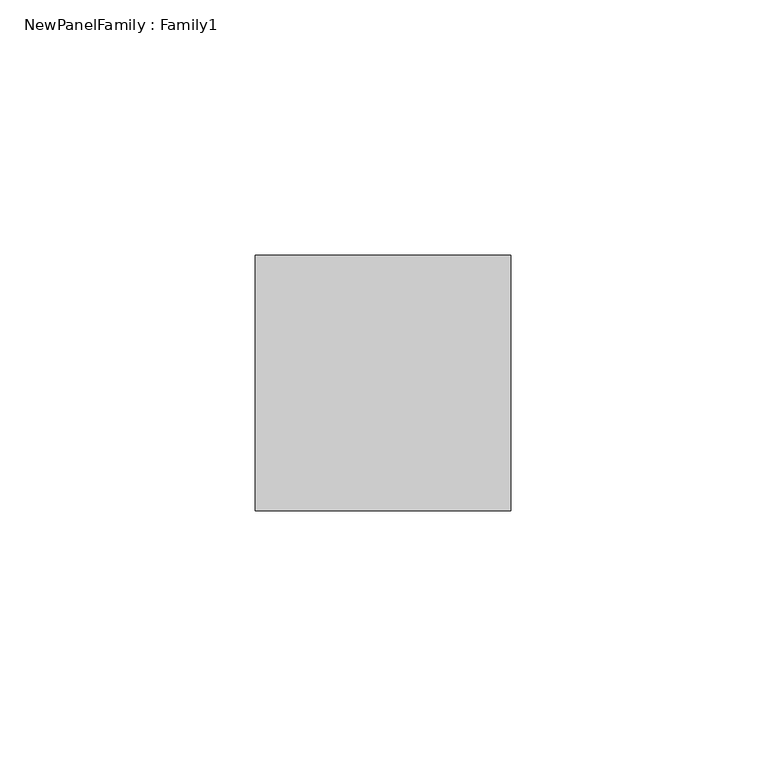
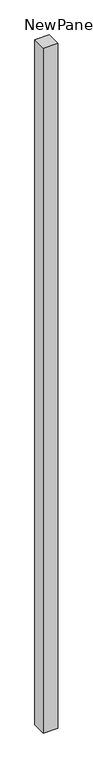
"""IFC4 building model written with IfcOpenShell, lengths in millimetres: proxy geometry, NewPanelFamily : Family1."""

import ifcopenshell
import ifcopenshell.guid

model = None  # the IFC model being written
_history = None  # IfcOwnerHistory: only IFC2X3 demands one
_inside = {}  # id of a spatial element -> (the spatial element, [elements in it])
_under = {}  # id of a project, library or spatial element -> (it, [spatial elements below it])
_declared = {}  # id of a project -> (the project, [libraries it declares])
_typed = {}  # id of a type object -> (the type object, [elements of that type])
_made_of = {}  # id of a material, layer set ... -> (it, [elements and type objects made of it])


def new_model(schema):
    """Start an empty IFC model of exactly this schema.

    Asked for "IFC4X3", IfcOpenShell would pick the latest addendum, in which some entities
    have other attributes; the version numbers below select the first issue.
    IFC2X3 requires an IfcOwnerHistory on every rooted entity: one is made here for all.
    """
    global model, _history
    if schema == "IFC4X3":
        model = ifcopenshell.file(schema_version=(4, 3, 0, 0))
    else:
        model = ifcopenshell.file(schema=schema)
    _inside.clear()
    _under.clear()
    _declared.clear()
    _typed.clear()
    _made_of.clear()
    _history = None
    if model.schema == "IFC2X3":
        org = make("IfcOrganization", Name="unknown")
        user = make(
            "IfcPersonAndOrganization",
            ThePerson=make("IfcPerson", FamilyName="unknown"),
            TheOrganization=org,
        )
        app = make(
            "IfcApplication",
            ApplicationDeveloper=org,
            Version="unknown",
            ApplicationFullName="unknown",
            ApplicationIdentifier="unknown",
        )
        _history = make(
            "IfcOwnerHistory",
            OwningUser=user,
            OwningApplication=app,
            ChangeAction="ADDED",
            CreationDate=0,
        )
    return model


def make(cls, **values):
    """One entity of the class cls with the attributes given. An attribute that is None is left unset."""
    return model.create_entity(
        cls, **{name: value for name, value in values.items() if value is not None}
    )


def rooted(cls, **values):
    """An entity with a GlobalId (a new one), such as an element, a storey or a relation."""
    return make(cls, GlobalId=ifcopenshell.guid.new(), OwnerHistory=_history, **values)


def si_unit(unit_type, name, prefix=None):
    """IfcSIUnit, for example si_unit("LENGTHUNIT", "METRE", prefix="MILLI")."""
    return make("IfcSIUnit", UnitType=unit_type, Prefix=prefix, Name=name)


def assignment(units):
    """IfcUnitAssignment: the units of a project."""
    return None if units is None else make("IfcUnitAssignment", Units=units)


def point(xyz):
    """IfcCartesianPoint."""
    return None if xyz is None else make("IfcCartesianPoint", Coordinates=xyz)


def direction(xyz):
    """IfcDirection."""
    return None if xyz is None else make("IfcDirection", DirectionRatios=xyz)


def frame(location, z_axis=None, x_axis=None):
    """IfcAxis2Placement3D, a coordinate frame: its origin and axes. An axis left out is left unset."""
    return make(
        "IfcAxis2Placement3D",
        Location=point(location),
        Axis=direction(z_axis),
        RefDirection=direction(x_axis),
    )


def origin():
    """The frame at (0, 0, 0) with its axes left unset."""
    return frame((0.0, 0.0, 0.0))


def origin_with_axes():
    """The frame at (0, 0, 0) with the z axis (0, 0, 1) and the x axis (1, 0, 0) written out."""
    return frame((0.0, 0.0, 0.0), z_axis=(0.0, 0.0, 1.0), x_axis=(1.0, 0.0, 0.0))


def place(relative_to, where):
    """IfcLocalPlacement: puts the frame where relative to a parent placement (None: the world)."""
    return make(
        "IfcLocalPlacement", PlacementRelTo=relative_to, RelativePlacement=where
    )


def context(
    kind, dimensions, precision=None, world=None, true_north=None, identifier=None
):
    """IfcGeometricRepresentationContext, for example the 3D "Model" context."""
    return make(
        "IfcGeometricRepresentationContext",
        ContextIdentifier=identifier,
        ContextType=kind,
        CoordinateSpaceDimension=dimensions,
        Precision=precision,
        WorldCoordinateSystem=world,
        TrueNorth=true_north,
    )


def project(units=None, contexts=None):
    """IfcProject with its units and contexts."""
    return rooted(
        "IfcProject",
        Name="project",
        RepresentationContexts=contexts,
        UnitsInContext=assignment(units),
    )


def spatial(cls, under=None, at=None, **own):
    """A site, building, storey or space (cls), placed at a placement, below another one or the project."""
    s = rooted(cls, ObjectPlacement=at, **own)
    if under is not None:
        _under.setdefault(under.id(), (under, []))[1].append(s)
    return s


def polyline(points):
    """IfcPolyline through the points."""
    return make("IfcPolyline", Points=[point(p) for p in points])


def outline(outer, holes=None, kind="AREA"):
    """IfcArbitraryClosedProfileDef: a profile drawn as a closed curve; with holes, ...WithVoids."""
    if holes is None:
        return make("IfcArbitraryClosedProfileDef", ProfileType=kind, OuterCurve=outer)
    return make(
        "IfcArbitraryProfileDefWithVoids",
        ProfileType=kind,
        OuterCurve=outer,
        InnerCurves=holes,
    )


def extrude(swept, where, along, depth):
    """IfcExtrudedAreaSolid: the profile swept, set in the frame where, extruded along a direction by depth."""
    return make(
        "IfcExtrudedAreaSolid",
        SweptArea=swept,
        Position=where,
        ExtrudedDirection=direction(along),
        Depth=depth,
    )


def shape(context_of_items, identifier, shape_type, items):
    """IfcShapeRepresentation: the items that make up one representation, for example the "Body"."""
    return make(
        "IfcShapeRepresentation",
        ContextOfItems=context_of_items,
        RepresentationIdentifier=identifier,
        RepresentationType=shape_type,
        Items=items,
    )


def source(mapping_origin, context_of_items, identifier, shape_type, items):
    """IfcRepresentationMap: a shape defined once, which mapped items show again and again."""
    return make(
        "IfcRepresentationMap",
        MappingOrigin=mapping_origin,
        MappedRepresentation=shape(context_of_items, identifier, shape_type, items),
    )


def transform(
    local_origin,
    x_axis=None,
    y_axis=None,
    z_axis=None,
    scale=None,
    scale2=None,
    scale3=None,
    uniform=True,
):
    """IfcCartesianTransformationOperator3D, or its non-uniform kind. x_axis, y_axis, z_axis: its Axis1, 2, 3."""
    if uniform:
        return make(
            "IfcCartesianTransformationOperator3D",
            Axis1=direction(x_axis),
            Axis2=direction(y_axis),
            LocalOrigin=point(local_origin),
            Scale=scale,
            Axis3=direction(z_axis),
        )
    return make(
        "IfcCartesianTransformationOperator3DnonUniform",
        Axis1=direction(x_axis),
        Axis2=direction(y_axis),
        LocalOrigin=point(local_origin),
        Scale=scale,
        Axis3=direction(z_axis),
        Scale2=scale2,
        Scale3=scale3,
    )


def mapped(mapping_source, mapping_target):
    """IfcMappedItem: shows the shape of a source again, moved by a transform."""
    return make(
        "IfcMappedItem", MappingSource=mapping_source, MappingTarget=mapping_target
    )


def made_of(thing, what):
    """Note that an element or type object is made of a material, layer set ...; save() writes the relation."""
    if what is not None:
        _made_of.setdefault(what.id(), (what, []))[1].append(thing)
    return thing


def element(
    cls,
    number,
    at=None,
    inside=None,
    cuts=None,
    type_object=None,
    material=None,
    context=None,
    identifier="Body",
    shape_type=None,
    held_by="IfcProductDefinitionShape",
    body=None,
    shapes=None,
    **own,
):
    """One element of the class cls, such as IfcWall. Its Tag is "e" and its number.

    at: its placement. inside: the storey or other place that contains it. cuts: it is an
    opening in that element (IfcRelVoidsElement). A single representation is given by context,
    identifier, shape_type and body (its items); several are given by shapes. held_by: the class
    of the entity that holds the representations. save() writes the other relations.
    """
    e = rooted(cls, Tag="e%d" % number, ObjectPlacement=at, **own)
    if body is not None:
        shapes = [shape(context, identifier, shape_type, body)]
    if shapes is not None:
        e.Representation = make(held_by, Representations=shapes)
    if inside is not None:
        _inside.setdefault(inside.id(), (inside, []))[1].append(e)
    if cuts is not None:
        rooted(
            "IfcRelVoidsElement", RelatingBuildingElement=cuts, RelatedOpeningElement=e
        )
    if type_object is not None:
        _typed.setdefault(type_object.id(), (type_object, []))[1].append(e)
    return made_of(e, material)


def aggregate(whole, parts):
    """IfcRelAggregates: a whole, such as a stair, and the parts it consists of."""
    return rooted("IfcRelAggregates", RelatingObject=whole, RelatedObjects=parts)


def save(model, path):
    """Write the relations noted so far, then the file.

    IfcRelAggregates (storeys below a building ...), IfcRelContainedInSpatialStructure (elements
    in a storey), IfcRelDefinesByType, IfcRelAssociatesMaterial and IfcRelDeclares: one each for
    every whole, place, type object, material and project.
    """
    for whole, parts in _under.values():
        aggregate(whole, parts)
    for where, things in _inside.values():
        rooted(
            "IfcRelContainedInSpatialStructure",
            RelatedElements=things,
            RelatingStructure=where,
        )
    for kind, things in _typed.values():
        rooted("IfcRelDefinesByType", RelatedObjects=things, RelatingType=kind)
    for what, things in _made_of.values():
        rooted("IfcRelAssociatesMaterial", RelatedObjects=things, RelatingMaterial=what)
    for by, libraries in _declared.values():
        rooted("IfcRelDeclares", RelatingContext=by, RelatedDefinitions=libraries)
    model.write(path)


def newpanelfamily_family1_41cf814b(model_context):
    return source(origin(), model_context, "Body", "SweptSolid", [
        extrude(outline(polyline([(25.0, 25.0), (25.0, -25.0), (-25.0, -25.0), (-25.0, 25.0), (25.0, 25.0)])), origin_with_axes(), (0.0, 0.0, 1.0), 2500.0),
    ])


if __name__ == "__main__":
    model = new_model("IFC4")
    model_context = context("Model", 3, world=origin())
    ifc_project = project(units=[si_unit("LENGTHUNIT", "METRE", prefix="MILLI")], contexts=[model_context])
    site = spatial("IfcSite", under=ifc_project)
    building = spatial("IfcBuilding", under=site)
    placement = place(None, origin())
    newpanelfamily_family1_shape = newpanelfamily_family1_41cf814b(model_context)
    element("IfcBuildingElementProxy", 1, Name="NewPanelFamily : Family1", ObjectType="NewPanelFamily : Family1", at=placement, inside=building, context=model_context, shape_type="MappedRepresentation", body=[
        mapped(newpanelfamily_family1_shape, transform((0.0, 0.0, 0.0), x_axis=(1.0, 0.0, 0.0), y_axis=(0.0, 1.0, 0.0), z_axis=(0.0, 0.0, 1.0))),
    ])
    save(model, "model.ifc")
